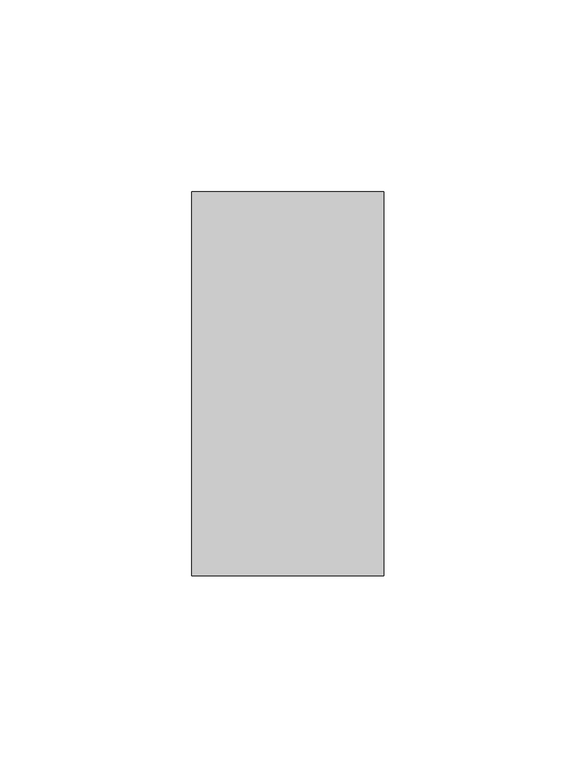
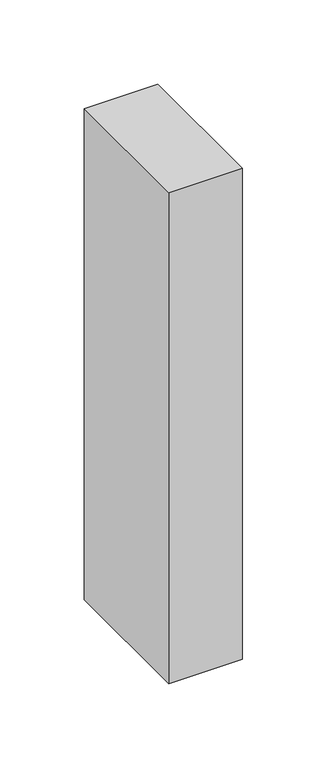
"""IFC4 building model written with IfcOpenShell, lengths in millimetres: member geometry."""

from ifc_helpers import new_model, si_unit, frame, origin, place, context, project, spatial, polyline, outline, extrude, source, transform, mapped, element, save


def member_63e4834d(model_context):
    return source(origin(), model_context, "Body", "SweptSolid", [
        extrude(outline(polyline([(0.0, 50.0), (0.0, -50.0), (-50.0, -50.0), (-50.0, 50.0), (0.0, 50.0)])), frame((0.0, 0.0, -354.7826087), z_axis=(0.0, 0.0, 1.0), x_axis=(1.0, 0.0, 0.0)), (0.0, 0.0, 1.0), 354.7826087),
    ])


if __name__ == "__main__":
    model = new_model("IFC4")
    model_context = context("Model", 3, world=origin())
    ifc_project = project(units=[si_unit("LENGTHUNIT", "METRE", prefix="MILLI")], contexts=[model_context])
    site = spatial("IfcSite", under=ifc_project)
    building = spatial("IfcBuilding", under=site)
    placement = place(None, origin())
    member_shape = member_63e4834d(model_context)
    element("IfcMember", 1, at=placement, inside=building, context=model_context, shape_type="MappedRepresentation", body=[
        mapped(member_shape, transform((0.0, 0.0, 0.0), x_axis=(1.0, 0.0, 0.0), y_axis=(0.0, 1.0, 0.0), z_axis=(0.0, 0.0, 1.0))),
    ])
    save(model, "model.ifc")
